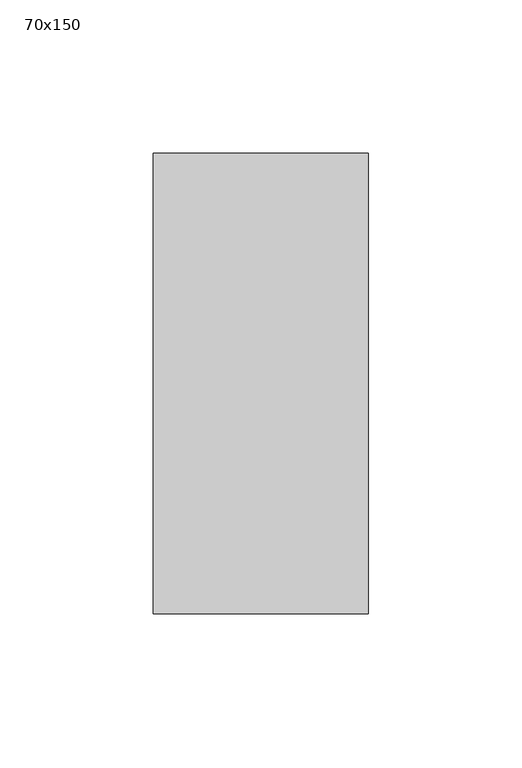
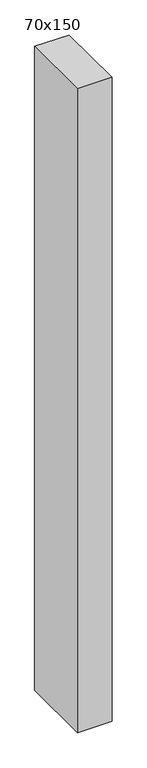
"""IFC4 building model written with IfcOpenShell, lengths in millimetres: member geometry, 70x150."""

from ifc_helpers import new_model, si_unit, frame, origin, place, context, project, spatial, polyline, outline, extrude, source, transform, mapped, element, save


def member_70x150_dc95d083(model_context):
    return source(origin(), model_context, "Body", "SweptSolid", [
        extrude(outline(polyline([(-75.0, 0.1148654), (75.0, -0.1148654), (75.0, -1378.5896702), (-75.0, -1378.5896702), (-75.0, 0.1148654)])), frame((-70.0, 0.0, 0.0), z_axis=(1.0, 0.0, 0.0), x_axis=(0.0, 1.0, 0.0)), (0.0, 0.0, 1.0), 70.0),
    ])


if __name__ == "__main__":
    model = new_model("IFC4")
    model_context = context("Model", 3, world=origin())
    ifc_project = project(units=[si_unit("LENGTHUNIT", "METRE", prefix="MILLI")], contexts=[model_context])
    site = spatial("IfcSite", under=ifc_project)
    building = spatial("IfcBuilding", under=site)
    placement = place(None, origin())
    member_70x150_shape = member_70x150_dc95d083(model_context)
    element("IfcMember", 1, ObjectType="70x150", at=placement, inside=building, context=model_context, shape_type="MappedRepresentation", body=[
        mapped(member_70x150_shape, transform((0.0, 0.0, 0.0), x_axis=(1.0, 0.0, 0.0), y_axis=(0.0, 1.0, 0.0), z_axis=(0.0, 0.0, 1.0))),
    ])
    save(model, "model.ifc")
